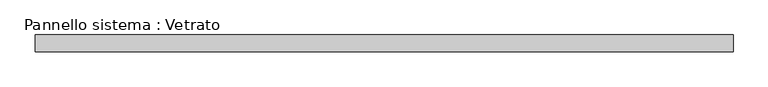
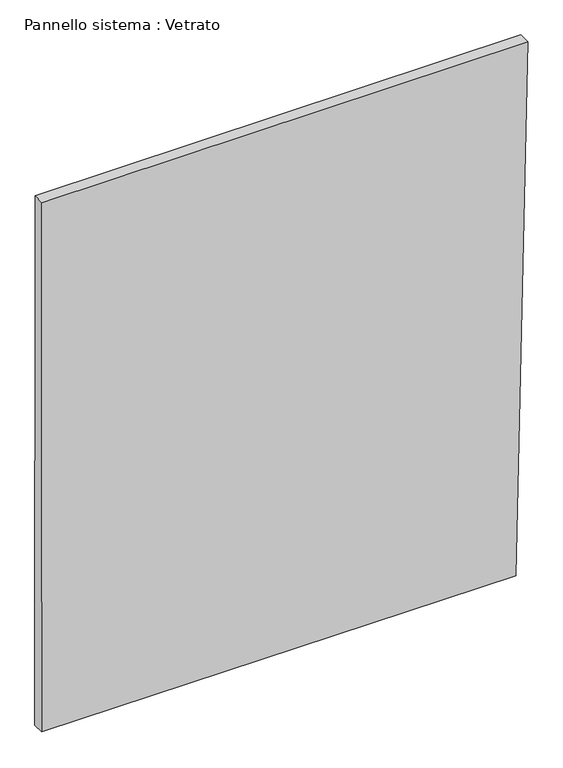
"""IFC4 building model written with IfcOpenShell, lengths in millimetres: plate geometry, Pannello sistema : Vetrato."""

from ifc_helpers import new_model, si_unit, frame, origin, place, context, project, spatial, polyline, outline, extrude, source, transform, mapped, element, save


def pannello_sistema_vetrato_a3b3cfbd(model_context):
    return source(origin(), model_context, "Body", "SweptSolid", [
        extrude(outline(polyline([(3.5143506, -629.2994681), (0.0, 598.8692035), (1450.6270281, 629.2994681), (1450.6270317, -628.6028865), (3.5143506, -629.2994681)])), frame((0.0, -15.0, 0.0), z_axis=(0.0, 1.0, 0.0), x_axis=(0.0, 0.0, 1.0)), (0.0, 0.0, 1.0), 30.0),
    ])


if __name__ == "__main__":
    model = new_model("IFC4")
    model_context = context("Model", 3, world=origin())
    ifc_project = project(units=[si_unit("LENGTHUNIT", "METRE", prefix="MILLI")], contexts=[model_context])
    site = spatial("IfcSite", under=ifc_project)
    building = spatial("IfcBuilding", under=site)
    placement = place(None, origin())
    pannello_sistema_vetrato_shape = pannello_sistema_vetrato_a3b3cfbd(model_context)
    element("IfcPlate", 1, ObjectType="Pannello sistema : Vetrato", at=placement, inside=building, context=model_context, shape_type="MappedRepresentation", body=[
        mapped(pannello_sistema_vetrato_shape, transform((0.0, 0.0, 0.0), x_axis=(1.0, 0.0, 0.0), y_axis=(0.0, 1.0, 0.0), z_axis=(0.0, 0.0, 1.0))),
    ])
    save(model, "model.ifc")
